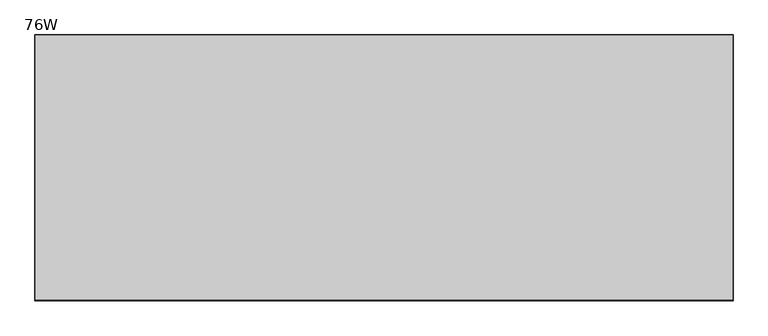
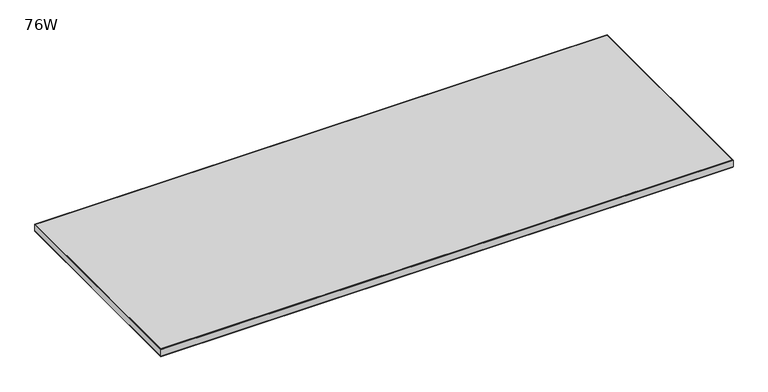
"""IFC4 building model written with IfcOpenShell, lengths in millimetres: furniture geometry, 76W."""

from ifc_helpers import new_model, si_unit, frame, origin, place, context, project, spatial, polyline, outline, extrude, faceted_brep, source, transform, mapped, element, save


def furniture_76w_95a7cd32(model_context):
    return source(origin(), model_context, "Body", "SolidModel", [
        faceted_brep([(-736.6, -451.599999, 716.1529564), (-736.3794226, -451.3794217, 714.902), (1193.5794226, -451.3794217, 714.902), (1193.8, -451.599999, 716.1529564), (1193.8, -451.599999, 738.6320349), (-736.6, -451.599999, 738.6320349), (1193.621518, -451.4215171, 739.902), (-736.421518, -451.4215171, 739.902), (1193.5794226, 284.77935, 714.902), (1193.8, 284.9999273, 716.1529564), (1193.8, 284.9999273, 738.6320349), (1193.621518, 284.8214454, 739.902), (1192.784001, 283.9839283, 739.902), (1192.784001, 283.9839283, 714.902), (1192.784001, -448.5527419, 714.902), (1192.784001, -448.5527419, 739.902), (-736.3794226, 284.77935, 714.902), (-736.6, 284.9999273, 716.1529564), (-736.6, 284.9999273, 738.6320349), (-736.421518, 284.8214454, 739.902), (-735.584001, 283.9839283, 739.902), (-735.584001, 283.9839283, 714.902), (-735.584001, -448.5527419, 714.902), (-735.584001, -448.5527419, 739.902)], [[[0, 1, 2, 3]], [[0, 3, 4, 5]], [[5, 4, 6, 7]], [[3, 2, 8, 9]], [[4, 3, 9, 10]], [[6, 4, 10, 11]], [[12, 13, 14, 15]], [[9, 8, 16, 17]], [[10, 9, 17, 18]], [[11, 10, 18, 19]], [[13, 12, 20, 21]], [[2, 1, 16, 8], [13, 21, 22, 14]], [[1, 0, 17, 16]], [[0, 5, 18, 17]], [[5, 7, 19, 18]], [[7, 6, 11, 19], [20, 12, 15, 23]], [[21, 20, 23, 22]], [[14, 22, 23, 15]]]),
        extrude(outline(polyline([(1192.784001, 283.9839283), (1192.784001, -448.5527419), (-735.584001, -448.5527419), (-735.584001, 283.9839283), (1192.784001, 283.9839283)])), frame((0.0, 0.0, 714.902), z_axis=(0.0, 0.0, 1.0), x_axis=(1.0, 0.0, 0.0)), (0.0, 0.0, 1.0), 25.0),
    ])


if __name__ == "__main__":
    model = new_model("IFC4")
    model_context = context("Model", 3, world=origin())
    ifc_project = project(units=[si_unit("LENGTHUNIT", "METRE", prefix="MILLI")], contexts=[model_context])
    site = spatial("IfcSite", under=ifc_project)
    building = spatial("IfcBuilding", under=site)
    placement = place(None, origin())
    furniture_76w_shape = furniture_76w_95a7cd32(model_context)
    element("IfcFurniture", 1, ObjectType="76W", at=placement, inside=building, context=model_context, shape_type="MappedRepresentation", body=[
        mapped(furniture_76w_shape, transform((0.0, 0.0, 0.0), x_axis=(1.0, 0.0, 0.0), y_axis=(0.0, 1.0, 0.0), z_axis=(0.0, 0.0, 1.0))),
    ])
    save(model, "model.ifc")
